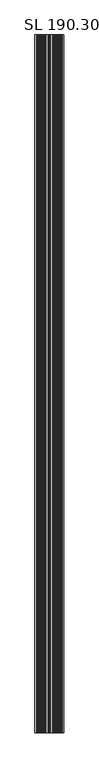
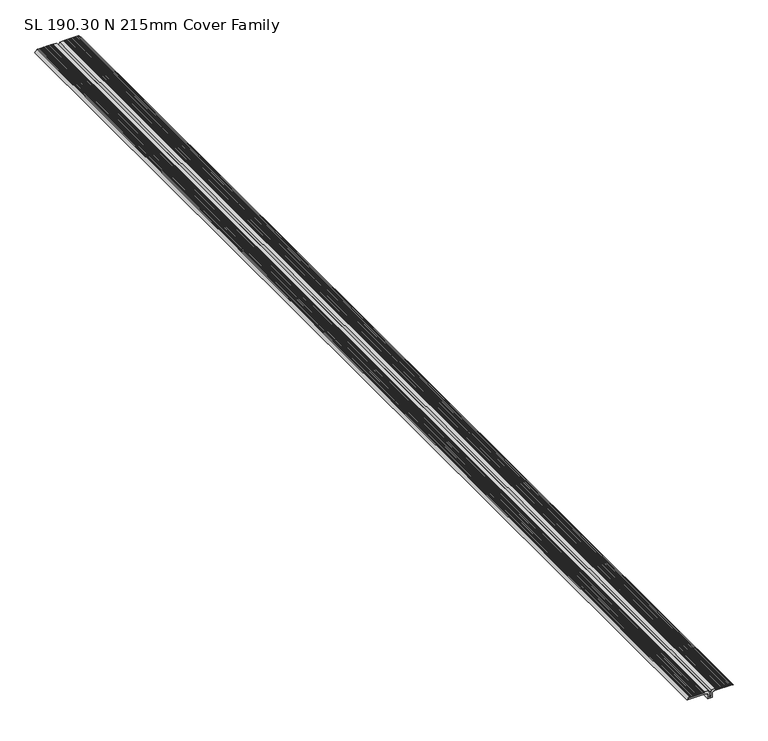
"""IFC4 building model written with IfcOpenShell, lengths in millimetres: proxy geometry, SL 190.30 N 215mm Cover Family."""

from ifc_helpers import new_model, si_unit, point, frame, frame_2d, origin, place, context, project, spatial, polyline, circle_curve, trimmed, segment, composite_curve, outline, extrude, source, transform, mapped, element, save


def sl_190_30_n_215mm_cover_family_5ecf86e0(model_context):
    return source(origin(), model_context, "Body", "SweptSolid", [
        extrude(outline(composite_curve([segment(polyline([(38.750665, 30.0070834), (38.750665, 29.0033208)]), True, "CONTINUOUS"), segment(trimmed(circle_curve(frame_2d((38.750665, 27.9995583)), 1.0037625), [point((38.750665, 29.0033208))], [point((38.750665, 26.9957958))], True, "CARTESIAN"), True, "CONTINUOUS"), segment(polyline([(38.750665, 26.9957958), (38.750665, 25.7885175), (33.7742097, 25.7891757), (33.7742097, 95.3629729), (27.8383839, 102.2638878), (27.8383839, 107.2827003), (38.750665, 95.3629729), (38.750665, 92.240359)]), True, "CONTINUOUS"), segment(trimmed(circle_curve(frame_2d((38.750665, 91.2365965)), 1.0037625), [point((38.750665, 92.240359))], [point((38.750665, 90.232834))], True, "CARTESIAN"), True, "CONTINUOUS"), segment(polyline([(38.750665, 90.232834), (38.750665, 89.2290714)]), True, "CONTINUOUS"), segment(trimmed(circle_curve(frame_2d((38.750665, 88.2253089)), 1.0037625), [point((38.750665, 89.2290714))], [point((38.750665, 87.2215464))], True, "CARTESIAN"), True, "CONTINUOUS"), segment(polyline([(38.750665, 87.2215464), (38.750665, 86.2177839)]), True, "CONTINUOUS"), segment(trimmed(circle_curve(frame_2d((38.750665, 85.2140214)), 1.0037625), [point((38.750665, 86.2177839))], [point((38.750665, 84.2102589))], True, "CARTESIAN"), True, "CONTINUOUS"), segment(polyline([(38.750665, 84.2102589), (38.750665, 83.2064964)]), True, "CONTINUOUS"), segment(trimmed(circle_curve(frame_2d((38.750665, 82.2027339)), 1.0037625), [point((38.750665, 83.2064964))], [point((38.750665, 81.1989714))], True, "CARTESIAN"), True, "CONTINUOUS"), segment(polyline([(38.750665, 81.1989714), (38.750665, 80.1952089)]), True, "CONTINUOUS"), segment(trimmed(circle_curve(frame_2d((38.750665, 79.1914464)), 1.0037625), [point((38.750665, 80.1952089))], [point((38.750665, 78.1876839))], True, "CARTESIAN"), True, "CONTINUOUS"), segment(polyline([(38.750665, 78.1876839), (38.750665, 77.1839213)]), True, "CONTINUOUS"), segment(trimmed(circle_curve(frame_2d((38.750665, 76.1801588)), 1.0037625), [point((38.750665, 77.1839213))], [point((38.750665, 75.1763963))], True, "CARTESIAN"), True, "CONTINUOUS"), segment(polyline([(38.750665, 75.1763963), (38.750665, 74.1726338)]), True, "CONTINUOUS"), segment(trimmed(circle_curve(frame_2d((38.750665, 73.1688713)), 1.0037625), [point((38.750665, 74.1726338))], [point((38.750665, 72.1651088))], True, "CARTESIAN"), True, "CONTINUOUS"), segment(polyline([(38.750665, 72.1651088), (38.750665, 71.1613463)]), True, "CONTINUOUS"), segment(trimmed(circle_curve(frame_2d((38.750665, 70.1575838)), 1.0037625), [point((38.750665, 71.1613463))], [point((38.750665, 69.1538213))], True, "CARTESIAN"), True, "CONTINUOUS"), segment(polyline([(38.750665, 69.1538213), (38.750665, 68.1500587)]), True, "CONTINUOUS"), segment(trimmed(circle_curve(frame_2d((38.750665, 67.1462962)), 1.0037625), [point((38.750665, 68.1500587))], [point((38.750665, 66.1425337))], True, "CARTESIAN"), True, "CONTINUOUS"), segment(polyline([(38.750665, 66.1425337), (38.750665, 65.1387712)]), True, "CONTINUOUS"), segment(trimmed(circle_curve(frame_2d((38.750665, 64.1350087)), 1.0037625), [point((38.750665, 65.1387712))], [point((38.750665, 63.1312462))], True, "CARTESIAN"), True, "CONTINUOUS"), segment(polyline([(38.750665, 63.1312462), (38.750665, 62.1274837)]), True, "CONTINUOUS"), segment(trimmed(circle_curve(frame_2d((38.750665, 61.1237212)), 1.0037625), [point((38.750665, 62.1274837))], [point((38.750665, 60.1199587))], True, "CARTESIAN"), True, "CONTINUOUS"), segment(polyline([(38.750665, 60.1199587), (38.750665, 59.1161961)]), True, "CONTINUOUS"), segment(trimmed(circle_curve(frame_2d((38.750665, 58.1124336)), 1.0037625), [point((38.750665, 59.1161961))], [point((38.750665, 57.1086711))], True, "CARTESIAN"), True, "CONTINUOUS"), segment(polyline([(38.750665, 57.1086711), (38.750665, 56.1049086)]), True, "CONTINUOUS"), segment(trimmed(circle_curve(frame_2d((38.750665, 55.1011461)), 1.0037625), [point((38.750665, 56.1049086))], [point((38.750665, 54.0973836))], True, "CARTESIAN"), True, "CONTINUOUS"), segment(polyline([(38.750665, 54.0973836), (38.750665, 53.0936211)]), True, "CONTINUOUS"), segment(trimmed(circle_curve(frame_2d((38.750665, 52.0898586)), 1.0037625), [point((38.750665, 53.0936211))], [point((38.750665, 51.0860961))], True, "CARTESIAN"), True, "CONTINUOUS"), segment(polyline([(38.750665, 51.0860961), (38.750665, 50.0823336)]), True, "CONTINUOUS"), segment(trimmed(circle_curve(frame_2d((38.750665, 49.0785711)), 1.0037625), [point((38.750665, 50.0823336))], [point((38.750665, 48.0748086))], True, "CARTESIAN"), True, "CONTINUOUS"), segment(polyline([(38.750665, 48.0748086), (38.750665, 47.071046)]), True, "CONTINUOUS"), segment(trimmed(circle_curve(frame_2d((38.750665, 46.0672835)), 1.0037625), [point((38.750665, 47.071046))], [point((38.750665, 45.063521))], True, "CARTESIAN"), True, "CONTINUOUS"), segment(polyline([(38.750665, 45.063521), (38.750665, 44.0597585)]), True, "CONTINUOUS"), segment(trimmed(circle_curve(frame_2d((38.750665, 43.055996)), 1.0037625), [point((38.750665, 44.0597585))], [point((38.750665, 42.0522335))], True, "CARTESIAN"), True, "CONTINUOUS"), segment(polyline([(38.750665, 42.0522335), (38.750665, 41.048471)]), True, "CONTINUOUS"), segment(trimmed(circle_curve(frame_2d((38.750665, 40.0447085)), 1.0037625), [point((38.750665, 41.048471))], [point((38.750665, 39.040946))], True, "CARTESIAN"), True, "CONTINUOUS"), segment(polyline([(38.750665, 39.040946), (38.750665, 38.0371834)]), True, "CONTINUOUS"), segment(trimmed(circle_curve(frame_2d((38.750665, 37.0334209)), 1.0037625), [point((38.750665, 38.0371834))], [point((38.750665, 36.0296584))], True, "CARTESIAN"), True, "CONTINUOUS"), segment(polyline([(38.750665, 36.0296584), (38.750665, 35.0258959)]), True, "CONTINUOUS"), segment(trimmed(circle_curve(frame_2d((38.750665, 34.0221334)), 1.0037625), [point((38.750665, 35.0258959))], [point((38.750665, 33.0183709))], True, "CARTESIAN"), True, "CONTINUOUS"), segment(polyline([(38.750665, 33.0183709), (38.750665, 32.0146084)]), True, "CONTINUOUS"), segment(trimmed(circle_curve(frame_2d((38.750665, 31.0108459)), 1.0037625), [point((38.750665, 32.0146084))], [point((38.750665, 30.0070834))], True, "CARTESIAN"), True, "CONTINUOUS")], self_intersect=False)), frame((0.0, 0.0, 0.0), z_axis=(0.0, 1.0, 0.0), x_axis=(0.0, 0.0, 1.0)), (0.0, 0.0, 1.0), 5220.0),
        extrude(outline(composite_curve([segment(polyline([(38.750665, -32.3793651), (38.750665, -33.3831277)]), True, "CONTINUOUS"), segment(trimmed(circle_curve(frame_2d((38.750665, -34.3868902)), 1.0037625), [point((38.750665, -33.3831277))], [point((38.750665, -35.3906527))], True, "CARTESIAN"), True, "CONTINUOUS"), segment(polyline([(38.750665, -35.3906527), (38.750665, -36.3944152)]), True, "CONTINUOUS"), segment(trimmed(circle_curve(frame_2d((38.750665, -37.3981777)), 1.0037625), [point((38.750665, -36.3944152))], [point((38.750665, -38.4019402))], True, "CARTESIAN"), True, "CONTINUOUS"), segment(polyline([(38.750665, -38.4019402), (38.750665, -39.4057027)]), True, "CONTINUOUS"), segment(trimmed(circle_curve(frame_2d((38.750665, -40.4094652)), 1.0037625), [point((38.750665, -39.4057027))], [point((38.750665, -41.4132277))], True, "CARTESIAN"), True, "CONTINUOUS"), segment(polyline([(38.750665, -41.4132277), (38.750665, -42.4169903)]), True, "CONTINUOUS"), segment(trimmed(circle_curve(frame_2d((38.750665, -43.4207528)), 1.0037625), [point((38.750665, -42.4169903))], [point((38.750665, -44.4245153))], True, "CARTESIAN"), True, "CONTINUOUS"), segment(polyline([(38.750665, -44.4245153), (38.750665, -45.4282778)]), True, "CONTINUOUS"), segment(trimmed(circle_curve(frame_2d((38.750665, -46.4320403)), 1.0037625), [point((38.750665, -45.4282778))], [point((38.750665, -47.4358028))], True, "CARTESIAN"), True, "CONTINUOUS"), segment(polyline([(38.750665, -47.4358028), (38.750665, -48.4395653)]), True, "CONTINUOUS"), segment(trimmed(circle_curve(frame_2d((38.750665, -49.4433278)), 1.0037625), [point((38.750665, -48.4395653))], [point((38.750665, -50.4470903))], True, "CARTESIAN"), True, "CONTINUOUS"), segment(polyline([(38.750665, -50.4470903), (38.750665, -51.4508528)]), True, "CONTINUOUS"), segment(trimmed(circle_curve(frame_2d((38.750665, -52.4546153)), 1.0037625), [point((38.750665, -51.4508528))], [point((38.750665, -53.4583778))], True, "CARTESIAN"), True, "CONTINUOUS"), segment(polyline([(38.750665, -53.4583778), (38.750665, -54.4621404)]), True, "CONTINUOUS"), segment(trimmed(circle_curve(frame_2d((38.750665, -55.4659029)), 1.0037625), [point((38.750665, -54.4621404))], [point((38.750665, -56.4696654))], True, "CARTESIAN"), True, "CONTINUOUS"), segment(polyline([(38.750665, -56.4696654), (38.750665, -57.4734279)]), True, "CONTINUOUS"), segment(trimmed(circle_curve(frame_2d((38.750665, -58.4771904)), 1.0037625), [point((38.750665, -57.4734279))], [point((38.750665, -59.4809529))], True, "CARTESIAN"), True, "CONTINUOUS"), segment(polyline([(38.750665, -59.4809529), (38.750665, -60.4847154)]), True, "CONTINUOUS"), segment(trimmed(circle_curve(frame_2d((38.750665, -61.4884779)), 1.0037625), [point((38.750665, -60.4847154))], [point((38.750665, -62.4922404))], True, "CARTESIAN"), True, "CONTINUOUS"), segment(polyline([(38.750665, -62.4922404), (38.750665, -63.496003)]), True, "CONTINUOUS"), segment(trimmed(circle_curve(frame_2d((38.750665, -64.4997655)), 1.0037625), [point((38.750665, -63.496003))], [point((38.750665, -65.503528))], True, "CARTESIAN"), True, "CONTINUOUS"), segment(polyline([(38.750665, -65.503528), (38.750665, -66.5072905)]), True, "CONTINUOUS"), segment(trimmed(circle_curve(frame_2d((38.750665, -67.511053)), 1.0037625), [point((38.750665, -66.5072905))], [point((38.750665, -68.5148155))], True, "CARTESIAN"), True, "CONTINUOUS"), segment(polyline([(38.750665, -68.5148155), (38.750665, -69.518578)]), True, "CONTINUOUS"), segment(trimmed(circle_curve(frame_2d((38.750665, -70.5223405)), 1.0037625), [point((38.750665, -69.518578))], [point((38.750665, -71.526103))], True, "CARTESIAN"), True, "CONTINUOUS"), segment(polyline([(38.750665, -71.526103), (38.750665, -72.5298656)]), True, "CONTINUOUS"), segment(trimmed(circle_curve(frame_2d((38.750665, -73.5336281)), 1.0037625), [point((38.750665, -72.5298656))], [point((38.750665, -74.5373906))], True, "CARTESIAN"), True, "CONTINUOUS"), segment(polyline([(38.750665, -74.5373906), (38.750665, -75.5411531)]), True, "CONTINUOUS"), segment(trimmed(circle_curve(frame_2d((38.750665, -76.5449156)), 1.0037625), [point((38.750665, -75.5411531))], [point((38.750665, -77.5486781))], True, "CARTESIAN"), True, "CONTINUOUS"), segment(polyline([(38.750665, -77.5486781), (38.750665, -78.5524406)]), True, "CONTINUOUS"), segment(trimmed(circle_curve(frame_2d((38.750665, -79.5562031)), 1.0037625), [point((38.750665, -78.5524406))], [point((38.750665, -80.5599656))], True, "CARTESIAN"), True, "CONTINUOUS"), segment(polyline([(38.750665, -80.5599656), (38.750665, -81.5637281)]), True, "CONTINUOUS"), segment(trimmed(circle_curve(frame_2d((38.750665, -82.5674906)), 1.0037625), [point((38.750665, -81.5637281))], [point((38.750665, -83.5712531))], True, "CARTESIAN"), True, "CONTINUOUS"), segment(polyline([(38.750665, -83.5712531), (38.750665, -84.5750157)]), True, "CONTINUOUS"), segment(trimmed(circle_curve(frame_2d((38.750665, -85.5787782)), 1.0037625), [point((38.750665, -84.5750157))], [point((38.750665, -86.5825407))], True, "CARTESIAN"), True, "CONTINUOUS"), segment(polyline([(38.750665, -86.5825407), (38.750665, -87.5863032)]), True, "CONTINUOUS"), segment(trimmed(circle_curve(frame_2d((38.750665, -88.5900657)), 1.0037625), [point((38.750665, -87.5863032))], [point((38.750665, -89.5938282))], True, "CARTESIAN"), True, "CONTINUOUS"), segment(polyline([(38.750665, -89.5938282), (38.750665, -90.5975907)]), True, "CONTINUOUS"), segment(trimmed(circle_curve(frame_2d((38.750665, -91.6013532)), 1.0037625), [point((38.750665, -90.5975907))], [point((38.750665, -92.6051157))], True, "CARTESIAN"), True, "CONTINUOUS"), segment(polyline([(38.750665, -92.6051157), (38.750665, -95.7277297), (27.8383839, -107.647457), (27.8383839, -102.6286445), (33.7742097, -95.7277297), (33.7742097, -26.1539325), (38.750665, -26.1532742), (38.750665, -27.3605526)]), True, "CONTINUOUS"), segment(trimmed(circle_curve(frame_2d((38.750665, -28.3643151)), 1.0037625), [point((38.750665, -27.3605526))], [point((38.750665, -29.3680776))], True, "CARTESIAN"), True, "CONTINUOUS"), segment(polyline([(38.750665, -29.3680776), (38.750665, -30.3718401)]), True, "CONTINUOUS"), segment(trimmed(circle_curve(frame_2d((38.750665, -31.3756026)), 1.0037625), [point((38.750665, -30.3718401))], [point((38.750665, -32.3793651))], True, "CARTESIAN"), True, "CONTINUOUS")], self_intersect=False)), frame((0.0, 0.0, 0.0), z_axis=(0.0, 1.0, 0.0), x_axis=(0.0, 0.0, 1.0)), (0.0, 0.0, 1.0), 5220.0),
        extrude(outline(composite_curve([segment(polyline([(19.1243201, -10.244893), (0.2705154, -10.244893), (0.2705154, 9.8801362), (19.1243201, 9.8801362)]), True, "CONTINUOUS"), segment(trimmed(circle_curve(frame_2d((19.1243201, 18.5942)), 8.7140638), [point((19.1243201, 9.8801362))], [point((27.8383839, 18.5942))], True, "CARTESIAN"), True, "CONTINUOUS"), segment(polyline([(27.8383839, 18.5942), (27.8383839, 102.2636022), (33.7731332, 95.3635923), (33.7731332, 25.7884924), (38.7506651, 25.7884924), (38.7506651, 6.2384639), (27.6469404, 3.555127), (9.2023711, 3.555127)]), True, "CONTINUOUS"), segment(trimmed(circle_curve(frame_2d((9.2023711, 0.9409078)), 2.6142191), [point((9.2023711, 3.555127))], [point((6.588152, 0.9409078))], True, "CARTESIAN"), True, "CONTINUOUS"), segment(polyline([(6.588152, 0.9409078), (6.588152, -1.3056646)]), True, "CONTINUOUS"), segment(trimmed(circle_curve(frame_2d((9.2023711, -1.3056646)), 2.6142191), [point((6.588152, -1.3056646))], [point((9.2023711, -3.9198837))], True, "CARTESIAN"), True, "CONTINUOUS"), segment(polyline([(9.2023711, -3.9198837), (27.6469404, -3.9198837), (38.7506651, -6.6032207), (38.7506651, -26.1532491), (33.7731332, -26.1532491), (33.7731332, -95.728349), (27.8383839, -102.628359), (27.8383839, -18.9589568)]), True, "CONTINUOUS"), segment(trimmed(circle_curve(frame_2d((19.1243201, -18.9589568)), 8.7140638), [point((27.8383839, -18.9589568))], [point((19.1243201, -10.244893))], True, "CARTESIAN"), True, "CONTINUOUS")], self_intersect=False)), frame((0.0, 0.0, 0.0), z_axis=(0.0, 1.0, 0.0), x_axis=(0.0, 0.0, 1.0)), (0.0, 0.0, 1.0), 5220.0),
    ])


if __name__ == "__main__":
    model = new_model("IFC4")
    model_context = context("Model", 3, world=origin())
    ifc_project = project(units=[si_unit("LENGTHUNIT", "METRE", prefix="MILLI")], contexts=[model_context])
    site = spatial("IfcSite", under=ifc_project)
    building = spatial("IfcBuilding", under=site)
    placement = place(None, origin())
    sl_190_30_n_215mm_cover_family_shape = sl_190_30_n_215mm_cover_family_5ecf86e0(model_context)
    element("IfcBuildingElementProxy", 1, Name="SL 190.30 N 215mm Cover Family", ObjectType="SL 190.30 N 215mm Cover Family", at=placement, inside=building, context=model_context, shape_type="MappedRepresentation", body=[
        mapped(sl_190_30_n_215mm_cover_family_shape, transform((0.0, 0.0, 0.0), x_axis=(1.0, 0.0, 0.0), y_axis=(0.0, 1.0, 0.0), z_axis=(0.0, 0.0, 1.0))),
    ])
    save(model, "model.ifc")
